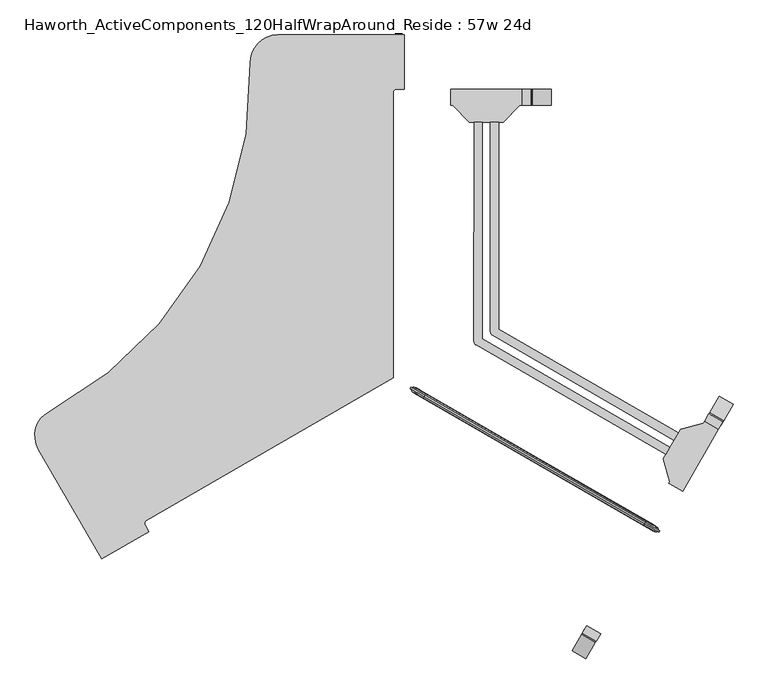
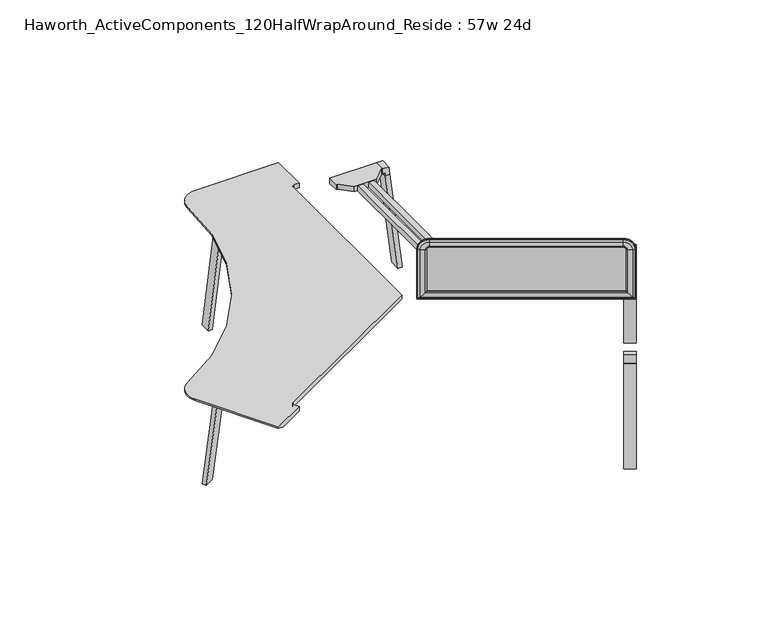
"""IFC4 building model written with IfcOpenShell, lengths in millimetres: furniture geometry, Haworth_ActiveComponents_120HalfWrapAround_Reside : 57w 24d."""

from ifc_helpers import new_model, si_unit, point, frame, frame_2d, origin, place, context, project, spatial, polyline, circle_curve, ellipse_curve, trimmed, segment, composite_curve, outline, extrude, source, transform, mapped, element, save
from ifc_brep_helpers import plane_surface, cylinder_surface, revolved_surface, advanced_brep


def haworth_activecomponents_120halfwraparound_reside_57w_24d_54aff3bc(model_context):
    return source(origin(), model_context, "Body", "SolidModel", [
        advanced_brep(
        [(5571.1853954, -725.3379566, 1050.2564604), (5574.3603954, -719.8386953, 1050.2564604), (5574.3603954, -719.8386953, 715.4852418), (5571.1853954, -725.3379566, 715.4852418), (5581.3100928, -738.8577789, 1050.2564604), (5576.2717139, -728.2745439, 1050.2564604), (5576.2717139, -728.2745439, 721.3584165), (5581.3100928, -738.8577789, 731.0133982), (5606.6753512, -752.8864585, 1050.2564604), (5606.6753512, -752.8864585, 759.994696), (5618.212895, -752.4892962, 1050.2564604), (5618.212895, -752.4892962, 769.787921), (5621.387895, -746.9900348, 1050.2564604), (5621.387895, -746.9900348, 769.787921), (5615.9630757, -736.7996476, 1050.2564604), (5615.9630757, -736.7996476, 759.994696), (5591.1312537, -721.8470293, 1050.2564604), (5591.1312537, -721.8470293, 731.0133982), (5579.4467139, -722.7752826, 1050.2564604), (5579.4467139, -722.7752826, 721.3584165), (6623.3071429, -1325.4483823, 715.4852418), (6620.1321429, -1330.9476436, 715.4852418), (6615.0458244, -1328.0110563, 721.3584165), (6603.3612846, -1328.9393096, 731.0133982), (6578.5294625, -1313.9866913, 759.994696), (6573.1046433, -1303.7963041, 769.787921), (6576.2796433, -1298.2970427, 769.787921), (6587.8171871, -1297.8998804, 759.994696), (6613.1824454, -1311.92856, 731.0133982), (6618.2208244, -1322.511795, 721.3584165), (6623.3071429, -1325.4483823, 1050.2564604), (6620.1321429, -1330.9476436, 1050.2564604), (6615.0458244, -1328.0110563, 1050.2564604), (6603.3612846, -1328.9393096, 1050.2564604), (6578.5294625, -1313.9866913, 1050.2564604), (6573.1046433, -1303.7963041, 1050.2564604), (6576.2796433, -1298.2970427, 1050.2564604), (6587.8171871, -1297.8998804, 1050.2564604), (6613.1824454, -1311.92856, 1050.2564604), (6618.2208244, -1322.511795, 1050.2564604), (6559.35649, -1295.8588041, 1120.4341395), (6562.53149, -1290.3595427, 1120.4341395), (6556.0334096, -1301.6145482, 1104.9059832), (6559.35649, -1295.8588041, 1114.5609648), (6556.3001277, -1301.1525788, 1075.9246853), (6559.35649, -1295.8588041, 1066.1314604), (6562.53149, -1290.3595427, 1066.1314604), (6565.5878523, -1285.065768, 1075.9246853), (6565.8545704, -1284.6037986, 1104.9059832), (6562.53149, -1290.3595427, 1114.5609648), (5635.1360483, -754.9275348, 1120.4341395), (5631.9610483, -760.4267962, 1120.4341395), (5631.9610483, -760.4267962, 1114.5609648), (5628.6379679, -766.1825403, 1104.9059832), (5628.904686, -765.7205709, 1075.9246853), (5631.9610483, -760.4267962, 1066.1314604), (5635.1360483, -754.9275348, 1066.1314604), (5638.1924106, -749.6337601, 1075.9246853), (5638.4591287, -749.1717907, 1104.9059832), (5635.1360483, -754.9275348, 1114.5609648)],
        [
            (0, 1),
            (1, 2),
            (2, 3),
            (3, 0),
            (4, 5, circle_curve(frame((5593.1583212, -726.7262399, 1050.2564604), z_axis=(0.0, 0.0, -1.0), x_axis=(-0.5000000000000024, -0.8660254037844374, 0.0)), 16.9574394)),
            (5, 6),
            (6, 7, ellipse_curve(frame((5593.1583212, -726.7262399, 735.2084954), z_axis=(-0.6123724356957916, 0.3535533905932743, 0.7071067811865497), x_axis=(0.6123724356957952, -0.3535533905932764, 0.7071067811865455)), 23.9814408, 16.9574394)),
            (7, 4),
            (8, 4, circle_curve(frame((5619.4970874, -699.7576706, 1050.2564604), z_axis=(0.0, 0.0, -1.0), x_axis=(-0.5000000000000024, -0.8660254037844374, 0.0)), 54.6540486)),
            (7, 9, ellipse_curve(frame((5619.4970874, -699.7576706, 744.5342514), z_axis=(-0.6123724356957916, 0.3535533905932743, 0.7071067811865497), x_axis=(0.6123724356957952, -0.3535533905932764, 0.7071067811865455)), 77.2924967, 54.6540486)),
            (9, 8),
            (10, 8, circle_curve(frame((5611.7299736, -731.941872, 1050.2564604), z_axis=(0.0, 0.0, -1.0), x_axis=(-0.5000000000000024, -0.8660254037844374, 0.0)), 21.5458792)),
            (9, 11, ellipse_curve(frame((5611.7299736, -731.941872, 753.8998342), z_axis=(-0.6123724356957916, 0.3535533905932743, 0.7071067811865497), x_axis=(0.6123724356957952, -0.3535533905932764, 0.7071067811865455)), 30.4704745, 21.5458792)),
            (11, 10),
            (12, 10),
            (11, 13),
            (13, 12),
            (14, 12, circle_curve(frame((5600.351843, -751.6493723, 1050.2564604), z_axis=(0.0, 0.0, -1.0), x_axis=(-0.5000000000000024, -0.8660254037844374, 0.0)), 21.5458792)),
            (13, 15, ellipse_curve(frame((5600.351843, -751.6493723, 753.8998342), z_axis=(-0.6123724356957916, 0.3535533905932743, 0.7071067811865497), x_axis=(0.6123724356957952, -0.3535533905932764, 0.7071067811865455)), 30.4704745, 21.5458792)),
            (15, 14),
            (16, 14, circle_curve(frame((5576.3630638, -774.4679908, 1050.2564604), z_axis=(0.0, 0.0, -1.0), x_axis=(-0.5000000000000024, -0.8660254037844374, 0.0)), 54.6540486)),
            (15, 17, ellipse_curve(frame((5576.3630638, -774.4679908, 744.5342514), z_axis=(-0.6123724356957916, 0.3535533905932743, 0.7071067811865497), x_axis=(0.6123724356957952, -0.3535533905932764, 0.7071067811865455)), 77.2924967, 54.6540486)),
            (17, 16),
            (18, 16, circle_curve(frame((5586.5491469, -738.1736655, 1050.2564604), z_axis=(0.0, 0.0, -1.0), x_axis=(-0.5000000000000024, -0.8660254037844374, 0.0)), 16.9574394)),
            (17, 19, ellipse_curve(frame((5586.5491469, -738.1736655, 735.2084954), z_axis=(-0.6123724356957916, 0.3535533905932743, 0.7071067811865497), x_axis=(0.6123724356957952, -0.3535533905932764, 0.7071067811865455)), 23.9814408, 16.9574394)),
            (19, 18),
            (2, 20),
            (20, 21),
            (21, 3),
            (6, 22),
            (22, 23, ellipse_curve(frame((6607.9433913, -1312.6126734, 735.2084954), z_axis=(-0.6123724356957955, 0.35355339059327656, -0.7071067811865454), x_axis=(-0.6123724356957915, 0.35355339059327423, 0.7071067811865498)), 23.9814408, 16.9574394)),
            (23, 7),
            (23, 24, ellipse_curve(frame((6618.1294744, -1276.318348, 744.5342514), z_axis=(-0.6123724356957955, 0.35355339059327656, -0.7071067811865454), x_axis=(-0.6123724356957915, 0.35355339059327423, 0.7071067811865498)), 77.2924967, 54.6540486)),
            (24, 9),
            (24, 25, ellipse_curve(frame((6594.1406953, -1299.1369666, 753.8998342), z_axis=(-0.6123724356957955, 0.35355339059327656, -0.7071067811865454), x_axis=(-0.6123724356957915, 0.35355339059327423, 0.7071067811865498)), 30.4704745, 21.5458792)),
            (25, 11),
            (25, 26),
            (26, 13),
            (26, 27, ellipse_curve(frame((6582.7625647, -1318.8444669, 753.8998342), z_axis=(-0.6123724356957955, 0.35355339059327656, -0.7071067811865454), x_axis=(-0.6123724356957915, 0.35355339059327423, 0.7071067811865498)), 30.4704745, 21.5458792)),
            (27, 15),
            (27, 28, ellipse_curve(frame((6574.9954509, -1351.0286683, 744.5342514), z_axis=(-0.6123724356957955, 0.35355339059327656, -0.7071067811865454), x_axis=(-0.6123724356957915, 0.35355339059327423, 0.7071067811865498)), 77.2924967, 54.6540486)),
            (28, 17),
            (28, 29, ellipse_curve(frame((6601.3342171, -1324.060099, 735.2084954), z_axis=(-0.6123724356957955, 0.35355339059327656, -0.7071067811865454), x_axis=(-0.6123724356957915, 0.35355339059327423, 0.7071067811865498)), 23.9814408, 16.9574394)),
            (29, 19),
            (20, 30),
            (30, 31),
            (31, 21),
            (22, 32),
            (32, 33, circle_curve(frame((6607.9433913, -1312.6126734, 1050.2564604), z_axis=(0.0, 0.0, -1.0), x_axis=(-0.5000000000000024, -0.8660254037844374, 0.0)), 16.9574394)),
            (33, 23),
            (33, 34, circle_curve(frame((6618.1294744, -1276.318348, 1050.2564604), z_axis=(0.0, 0.0, -1.0), x_axis=(-0.5000000000000024, -0.8660254037844374, 0.0)), 54.6540486)),
            (34, 24),
            (34, 35, circle_curve(frame((6594.1406953, -1299.1369666, 1050.2564604), z_axis=(0.0, 0.0, -1.0), x_axis=(-0.5000000000000024, -0.8660254037844374, 0.0)), 21.5458792)),
            (35, 25),
            (35, 36),
            (36, 26),
            (36, 37, circle_curve(frame((6582.7625647, -1318.8444669, 1050.2564604), z_axis=(0.0, 0.0, -1.0), x_axis=(-0.5000000000000024, -0.8660254037844374, 0.0)), 21.5458792)),
            (37, 27),
            (37, 38, circle_curve(frame((6574.9954509, -1351.0286683, 1050.2564604), z_axis=(0.0, 0.0, -1.0), x_axis=(-0.5000000000000024, -0.8660254037844374, 0.0)), 54.6540486)),
            (38, 28),
            (38, 39, circle_curve(frame((6601.3342171, -1324.060099, 1050.2564604), z_axis=(0.0, 0.0, -1.0), x_axis=(-0.5000000000000024, -0.8660254037844374, 0.0)), 16.9574394)),
            (39, 29),
            (40, 31, circle_curve(frame((6559.35649, -1295.8588041, 1050.2564604), z_axis=(0.5000000000000024, 0.8660254037844374, 0.0), x_axis=(0.8660254037844374, -0.5000000000000024, 0.0)), 70.1776791)),
            (30, 41, circle_curve(frame((6562.53149, -1290.3595427, 1050.2564604), z_axis=(-0.5000000000000024, -0.8660254037844374, 0.0), x_axis=(0.8660254037844374, -0.5000000000000024, 0.0)), 70.1776791)),
            (41, 40),
            (42, 33, circle_curve(frame((6556.0334096, -1301.6145482, 1050.2564604), z_axis=(0.5000000000000024, 0.8660254037844374, 0.0), x_axis=(0.8660254037844374, -0.5000000000000024, 0.0)), 54.6495228)),
            (32, 43, circle_curve(frame((6559.35649, -1295.8588041, 1050.2564604), z_axis=(-0.5000000000000024, -0.8660254037844374, 0.0), x_axis=(0.8660254037844374, -0.5000000000000024, 0.0)), 64.3045045)),
            (43, 42, circle_curve(frame((6564.2485771, -1287.3854606, 1100.7108859), z_axis=(0.8660254037844374, -0.5000000000000024, 0.0), x_axis=(-0.5000000000000024, -0.8660254037844374, 0.0)), 16.9574394)),
            (44, 34, circle_curve(frame((6556.3001277, -1301.1525788, 1050.2564604), z_axis=(0.5000000000000024, 0.8660254037844374, 0.0), x_axis=(0.8660254037844374, -0.5000000000000024, 0.0)), 25.6682249)),
            (42, 44, circle_curve(frame((6582.5110018, -1255.7540133, 1091.38513), z_axis=(0.8660254037844374, -0.5000000000000024, 0.0), x_axis=(-0.5000000000000024, -0.8660254037844374, 0.0)), 54.6540486)),
            (45, 35, circle_curve(frame((6559.35649, -1295.8588041, 1050.2564604), z_axis=(0.5000000000000024, 0.8660254037844374, 0.0), x_axis=(0.8660254037844374, -0.5000000000000024, 0.0)), 15.875)),
            (44, 45, circle_curve(frame((6566.6330553, -1283.2554233, 1082.0195471), z_axis=(0.8660254037844374, -0.5000000000000024, 0.0), x_axis=(-0.5000000000000024, -0.8660254037844374, 0.0)), 21.5458792)),
            (46, 36, circle_curve(frame((6562.53149, -1290.3595427, 1050.2564604), z_axis=(0.5000000000000024, 0.8660254037844374, 0.0), x_axis=(0.8660254037844374, -0.5000000000000024, 0.0)), 15.875)),
            (45, 46),
            (47, 37, circle_curve(frame((6565.5878523, -1285.065768, 1050.2564604), z_axis=(0.5000000000000024, 0.8660254037844374, 0.0), x_axis=(0.8660254037844374, -0.5000000000000024, 0.0)), 25.6682249)),
            (46, 47, circle_curve(frame((6555.2549247, -1302.9629235, 1082.0195471), z_axis=(0.8660254037844374, -0.5000000000000024, 0.0), x_axis=(-0.5000000000000024, -0.8660254037844374, 0.0)), 21.5458792)),
            (48, 38, circle_curve(frame((6565.8545704, -1284.6037986, 1050.2564604), z_axis=(0.5000000000000024, 0.8660254037844374, 0.0), x_axis=(0.8660254037844374, -0.5000000000000024, 0.0)), 54.6495228)),
            (47, 48, circle_curve(frame((6539.3769782, -1330.4643335, 1091.38513), z_axis=(0.8660254037844374, -0.5000000000000024, 0.0), x_axis=(-0.5000000000000024, -0.8660254037844374, 0.0)), 54.6540486)),
            (49, 39, circle_curve(frame((6562.53149, -1290.3595427, 1050.2564604), z_axis=(0.5000000000000024, 0.8660254037844374, 0.0), x_axis=(0.8660254037844374, -0.5000000000000024, 0.0)), 64.3045045)),
            (48, 49, circle_curve(frame((6557.6394029, -1298.8328862, 1100.7108859), z_axis=(0.8660254037844374, -0.5000000000000024, 0.0), x_axis=(-0.5000000000000024, -0.8660254037844374, 0.0)), 16.9574394)),
            (41, 50),
            (50, 51),
            (51, 40),
            (43, 52),
            (52, 53, circle_curve(frame((5636.8531354, -751.9534527, 1100.7108859), z_axis=(0.8660254037844374, -0.5000000000000024, 0.0), x_axis=(-0.5000000000000024, -0.8660254037844374, 0.0)), 16.9574394)),
            (53, 42),
            (53, 54, circle_curve(frame((5655.1155601, -720.3220053, 1091.38513), z_axis=(0.8660254037844374, -0.5000000000000024, 0.0), x_axis=(-0.5000000000000024, -0.8660254037844374, 0.0)), 54.6540486)),
            (54, 44),
            (54, 55, circle_curve(frame((5639.2376136, -747.8234154, 1082.0195471), z_axis=(0.8660254037844374, -0.5000000000000024, 0.0), x_axis=(-0.5000000000000024, -0.8660254037844374, 0.0)), 21.5458792)),
            (55, 45),
            (55, 56),
            (56, 46),
            (56, 57, circle_curve(frame((5627.859483, -767.5309156, 1082.0195471), z_axis=(0.8660254037844374, -0.5000000000000024, 0.0), x_axis=(-0.5000000000000024, -0.8660254037844374, 0.0)), 21.5458792)),
            (57, 47),
            (57, 58, circle_curve(frame((5611.9815365, -795.0323256, 1091.38513), z_axis=(0.8660254037844374, -0.5000000000000024, 0.0), x_axis=(-0.5000000000000024, -0.8660254037844374, 0.0)), 54.6540486)),
            (58, 48),
            (58, 59, circle_curve(frame((5630.2439612, -763.4008783, 1100.7108859), z_axis=(0.8660254037844374, -0.5000000000000024, 0.0), x_axis=(-0.5000000000000024, -0.8660254037844374, 0.0)), 16.9574394)),
            (59, 49),
            (0, 51, circle_curve(frame((5631.9610483, -760.4267962, 1050.2564604), z_axis=(0.5000000000000024, 0.8660254037844374, 0.0), x_axis=(0.0, 0.0, 1.0)), 70.1776791)),
            (50, 1, circle_curve(frame((5635.1360483, -754.9275348, 1050.2564604), z_axis=(-0.5000000000000024, -0.8660254037844374, 0.0), x_axis=(0.0, 0.0, 1.0)), 70.1776791)),
            (5, 52, circle_curve(frame((5631.9610483, -760.4267962, 1050.2564604), z_axis=(0.5000000000000024, 0.8660254037844374, 0.0), x_axis=(0.0, 0.0, 1.0)), 64.3045045)),
            (4, 53, circle_curve(frame((5628.6379679, -766.1825403, 1050.2564604), z_axis=(0.5000000000000024, 0.8660254037844374, 0.0), x_axis=(0.0, 0.0, 1.0)), 54.6495228)),
            (8, 54, circle_curve(frame((5628.904686, -765.7205709, 1050.2564604), z_axis=(0.5000000000000024, 0.8660254037844374, 0.0), x_axis=(0.0, 0.0, 1.0)), 25.6682249)),
            (10, 55, circle_curve(frame((5631.9610483, -760.4267962, 1050.2564604), z_axis=(0.5000000000000024, 0.8660254037844374, 0.0), x_axis=(0.0, 0.0, 1.0)), 15.875)),
            (12, 56, circle_curve(frame((5635.1360483, -754.9275348, 1050.2564604), z_axis=(0.5000000000000024, 0.8660254037844374, 0.0), x_axis=(0.0, 0.0, 1.0)), 15.875)),
            (14, 57, circle_curve(frame((5638.1924106, -749.6337601, 1050.2564604), z_axis=(0.5000000000000024, 0.8660254037844374, 0.0), x_axis=(0.0, 0.0, 1.0)), 25.6682249)),
            (16, 58, circle_curve(frame((5638.4591287, -749.1717907, 1050.2564604), z_axis=(0.5000000000000024, 0.8660254037844374, 0.0), x_axis=(0.0, 0.0, 1.0)), 54.6495228)),
            (18, 59, circle_curve(frame((5635.1360483, -754.9275348, 1050.2564604), z_axis=(0.5000000000000024, 0.8660254037844374, 0.0), x_axis=(0.0, 0.0, 1.0)), 64.3045045)),
        ],
        [
            plane_surface(frame((5574.3603954, -719.8386953, 1050.2564604), z_axis=(-0.8660254037844374, 0.5000000000000024, 0.0), x_axis=(0.0, 0.0, -1.0))),
            cylinder_surface(frame((5593.1583212, -726.7262399, 1050.2564604), z_axis=(0.0, 0.0, 1.0), x_axis=(-0.5000000000000024, -0.8660254037844374, 0.0)), 16.9574394),
            cylinder_surface(frame((5619.4970874, -699.7576706, 1050.2564604), z_axis=(0.0, 0.0, 1.0), x_axis=(-0.5000000000000024, -0.8660254037844374, 0.0)), 54.6540486),
            cylinder_surface(frame((5611.7299736, -731.941872, 1050.2564604), z_axis=(0.0, 0.0, 1.0), x_axis=(-0.5000000000000024, -0.8660254037844374, 0.0)), 21.5458792),
            plane_surface(frame((5618.212895, -752.4892962, 1050.2564604), z_axis=(0.8660254037844374, -0.5000000000000024, 0.0), x_axis=(0.0, 0.0, -1.0))),
            cylinder_surface(frame((5600.351843, -751.6493723, 1050.2564604), z_axis=(0.0, 0.0, 1.0), x_axis=(-0.5000000000000024, -0.8660254037844374, 0.0)), 21.5458792),
            cylinder_surface(frame((5576.3630638, -774.4679908, 1050.2564604), z_axis=(0.0, 0.0, 1.0), x_axis=(-0.5000000000000024, -0.8660254037844374, 0.0)), 54.6540486),
            cylinder_surface(frame((5586.5491469, -738.1736655, 1050.2564604), z_axis=(0.0, 0.0, 1.0), x_axis=(-0.5000000000000024, -0.8660254037844374, 0.0)), 16.9574394),
            plane_surface(frame((5574.3603954, -719.8386953, 715.4852418), z_axis=(0.0, 0.0, -1.0000000000000002), x_axis=(0.8660254037844374, -0.5000000000000024, 0.0))),
            cylinder_surface(frame((5623.1049821, -744.0159527, 735.2084954), z_axis=(-0.8660254037844374, 0.5000000000000024, 0.0), x_axis=(-0.5000000000000024, -0.8660254037844374, 0.0)), 16.9574394),
            cylinder_surface(frame((5641.3674068, -712.3845053, 744.5342514), z_axis=(-0.8660254037844374, 0.5000000000000024, 0.0), x_axis=(-0.5000000000000024, -0.8660254037844374, 0.0)), 54.6540486),
            cylinder_surface(frame((5625.4894603, -739.8859154, 753.8998342), z_axis=(-0.8660254037844374, 0.5000000000000024, 0.0), x_axis=(-0.5000000000000024, -0.8660254037844374, 0.0)), 21.5458792),
            plane_surface(frame((5618.212895, -752.4892962, 769.787921), z_axis=(0.0, 0.0, 1.0000000000000002), x_axis=(0.8660254037844374, -0.5000000000000024, 0.0))),
            cylinder_surface(frame((5614.1113297, -759.5934156, 753.8998342), z_axis=(-0.8660254037844374, 0.5000000000000024, 0.0), x_axis=(-0.5000000000000024, -0.8660254037844374, 0.0)), 21.5458792),
            cylinder_surface(frame((5598.2333832, -787.0948256, 744.5342514), z_axis=(-0.8660254037844374, 0.5000000000000024, 0.0), x_axis=(-0.5000000000000024, -0.8660254037844374, 0.0)), 54.6540486),
            cylinder_surface(frame((5616.4958079, -755.4633783, 735.2084954), z_axis=(-0.8660254037844374, 0.5000000000000024, 0.0), x_axis=(-0.5000000000000024, -0.8660254037844374, 0.0)), 16.9574394),
            plane_surface(frame((6623.3071429, -1325.4483823, 715.4852418), z_axis=(0.8660254037844374, -0.5000000000000024, 0.0), x_axis=(0.0, 0.0, 1.0))),
            cylinder_surface(frame((6607.9433913, -1312.6126734, 769.787921), z_axis=(0.0, 0.0, -1.0), x_axis=(-0.5000000000000024, -0.8660254037844374, 0.0)), 16.9574394),
            cylinder_surface(frame((6618.1294744, -1276.318348, 769.787921), z_axis=(0.0, 0.0, -1.0), x_axis=(-0.5000000000000024, -0.8660254037844374, 0.0)), 54.6540486),
            cylinder_surface(frame((6594.1406953, -1299.1369666, 769.787921), z_axis=(0.0, 0.0, -1.0), x_axis=(-0.5000000000000024, -0.8660254037844374, 0.0)), 21.5458792),
            plane_surface(frame((6573.1046433, -1303.7963041, 769.787921), z_axis=(-0.8660254037844374, 0.5000000000000024, 0.0), x_axis=(0.0, 0.0, 1.0))),
            cylinder_surface(frame((6582.7625647, -1318.8444669, 769.787921), z_axis=(0.0, 0.0, -1.0), x_axis=(-0.5000000000000024, -0.8660254037844374, 0.0)), 21.5458792),
            cylinder_surface(frame((6574.9954509, -1351.0286683, 769.787921), z_axis=(0.0, 0.0, -1.0), x_axis=(-0.5000000000000024, -0.8660254037844374, 0.0)), 54.6540486),
            cylinder_surface(frame((6601.3342171, -1324.060099, 769.787921), z_axis=(0.0, 0.0, -1.0), x_axis=(-0.5000000000000024, -0.8660254037844374, 0.0)), 16.9574394),
            cylinder_surface(frame((6559.35649, -1295.8588041, 1050.2564604), z_axis=(-0.5000000000000024, -0.8660254037844374, 0.0), x_axis=(0.8660254037844374, -0.5000000000000024, 0.0)), 70.1776791),
            revolved_surface(trimmed(ellipse_curve(frame((6607.9433913, -1312.6126734, 1050.2564604), z_axis=(0.0, 0.0, -1.0), x_axis=(-0.5000000000000024, -0.8660254037844374, 0.0)), 16.9574394, 16.9574394), [point((6615.0458244, -1328.0110563, 1050.2564604))], [point((6603.3612846, -1328.9393096, 1050.2564604))], True, "CARTESIAN"), (6559.35649, -1295.8588041, 1050.2564604), (-0.5000000000000024, -0.8660254037844374, 0.0)),
            revolved_surface(trimmed(ellipse_curve(frame((6618.1294744, -1276.318348, 1050.2564604), z_axis=(0.0, 0.0, -1.0), x_axis=(-0.5000000000000024, -0.8660254037844374, 0.0)), 54.6540486, 54.6540486), [point((6603.3612846, -1328.9393096, 1050.2564604))], [point((6578.5294625, -1313.9866913, 1050.2564604))], True, "CARTESIAN"), (6559.35649, -1295.8588041, 1050.2564604), (-0.5000000000000024, -0.8660254037844374, 0.0)),
            revolved_surface(trimmed(ellipse_curve(frame((6594.1406953, -1299.1369666, 1050.2564604), z_axis=(0.0, 0.0, -1.0), x_axis=(-0.5000000000000024, -0.8660254037844374, 0.0)), 21.5458792, 21.5458792), [point((6578.5294625, -1313.9866913, 1050.2564604))], [point((6573.1046433, -1303.7963041, 1050.2564604))], True, "CARTESIAN"), (6559.35649, -1295.8588041, 1050.2564604), (-0.5000000000000024, -0.8660254037844374, 0.0)),
            revolved_surface(polyline([(6573.104643285078, -1303.7963041, 1050.2564604), (6576.279643326035, -1298.2970427150308, 1050.2564604)]), (6559.35649, -1295.8588041, 1050.2564604), (-0.5000000000000024, -0.8660254037844374, 0.0)),
            revolved_surface(trimmed(ellipse_curve(frame((6582.7625647, -1318.8444669, 1050.2564604), z_axis=(0.0, 0.0, -1.0), x_axis=(-0.5000000000000024, -0.8660254037844374, 0.0)), 21.5458792, 21.5458792), [point((6576.2796433, -1298.2970427, 1050.2564604))], [point((6587.8171871, -1297.8998804, 1050.2564604))], True, "CARTESIAN"), (6559.35649, -1295.8588041, 1050.2564604), (-0.5000000000000024, -0.8660254037844374, 0.0)),
            revolved_surface(trimmed(ellipse_curve(frame((6574.9954509, -1351.0286683, 1050.2564604), z_axis=(0.0, 0.0, -1.0), x_axis=(-0.5000000000000024, -0.8660254037844374, 0.0)), 54.6540486, 54.6540486), [point((6587.8171871, -1297.8998804, 1050.2564604))], [point((6613.1824454, -1311.92856, 1050.2564604))], True, "CARTESIAN"), (6559.35649, -1295.8588041, 1050.2564604), (-0.5000000000000024, -0.8660254037844374, 0.0)),
            revolved_surface(trimmed(ellipse_curve(frame((6601.3342171, -1324.060099, 1050.2564604), z_axis=(0.0, 0.0, -1.0), x_axis=(-0.5000000000000024, -0.8660254037844374, 0.0)), 16.9574394, 16.9574394), [point((6613.1824454, -1311.92856, 1050.2564604))], [point((6618.2208244, -1322.511795, 1050.2564604))], True, "CARTESIAN"), (6559.35649, -1295.8588041, 1050.2564604), (-0.5000000000000024, -0.8660254037844374, 0.0)),
            plane_surface(frame((6562.53149, -1290.3595427, 1120.4341395), z_axis=(0.0, 0.0, 1.0000000000000002), x_axis=(-0.8660254037844374, 0.5000000000000024, 0.0))),
            cylinder_surface(frame((6564.2485771, -1287.3854606, 1100.7108859), z_axis=(0.8660254037844374, -0.5000000000000024, 0.0), x_axis=(-0.5000000000000024, -0.8660254037844374, 0.0)), 16.9574394),
            cylinder_surface(frame((6582.5110018, -1255.7540133, 1091.38513), z_axis=(0.8660254037844374, -0.5000000000000024, 0.0), x_axis=(-0.5000000000000024, -0.8660254037844374, 0.0)), 54.6540486),
            cylinder_surface(frame((6566.6330553, -1283.2554233, 1082.0195471), z_axis=(0.8660254037844374, -0.5000000000000024, 0.0), x_axis=(-0.5000000000000024, -0.8660254037844374, 0.0)), 21.5458792),
            plane_surface(frame((6559.35649, -1295.8588041, 1066.1314604), z_axis=(0.0, 0.0, -1.0000000000000002), x_axis=(-0.8660254037844374, 0.5000000000000024, 0.0))),
            cylinder_surface(frame((6555.2549247, -1302.9629235, 1082.0195471), z_axis=(0.8660254037844374, -0.5000000000000024, 0.0), x_axis=(-0.5000000000000024, -0.8660254037844374, 0.0)), 21.5458792),
            cylinder_surface(frame((6539.3769782, -1330.4643335, 1091.38513), z_axis=(0.8660254037844374, -0.5000000000000024, 0.0), x_axis=(-0.5000000000000024, -0.8660254037844374, 0.0)), 54.6540486),
            cylinder_surface(frame((6557.6394029, -1298.8328862, 1100.7108859), z_axis=(0.8660254037844374, -0.5000000000000024, 0.0), x_axis=(-0.5000000000000024, -0.8660254037844374, 0.0)), 16.9574394),
            cylinder_surface(frame((5631.9610483, -760.4267962, 1050.2564604), z_axis=(-0.5000000000000024, -0.8660254037844374, 0.0), x_axis=(0.0, 0.0, 1.0)), 70.1776791),
            plane_surface(frame((5631.9610483, -760.4267962, 1050.2564604), z_axis=(-0.5000000000000024, -0.8660254037844374, 0.0), x_axis=(0.0, 0.0, 1.0))),
            revolved_surface(trimmed(ellipse_curve(frame((5636.8531354, -751.9534527, 1100.7108859), z_axis=(0.8660254037844374, -0.5000000000000024, 0.0), x_axis=(-0.5000000000000024, -0.8660254037844374, 0.0)), 16.9574394, 16.9574394), [point((5631.9610483, -760.4267962, 1114.5609648))], [point((5628.6379679, -766.1825403, 1104.9059832))], True, "CARTESIAN"), (5631.9610483, -760.4267962, 1050.2564604), (-0.5000000000000024, -0.8660254037844374, 0.0)),
            revolved_surface(trimmed(ellipse_curve(frame((5655.1155601, -720.3220053, 1091.38513), z_axis=(0.8660254037844374, -0.5000000000000024, 0.0), x_axis=(-0.5000000000000024, -0.8660254037844374, 0.0)), 54.6540486, 54.6540486), [point((5628.6379679, -766.1825403, 1104.9059832))], [point((5628.904686, -765.7205709, 1075.9246853))], True, "CARTESIAN"), (5631.9610483, -760.4267962, 1050.2564604), (-0.5000000000000024, -0.8660254037844374, 0.0)),
            revolved_surface(trimmed(ellipse_curve(frame((5639.2376136, -747.8234154, 1082.0195471), z_axis=(0.8660254037844374, -0.5000000000000024, 0.0), x_axis=(-0.5000000000000024, -0.8660254037844374, 0.0)), 21.5458792, 21.5458792), [point((5628.904686, -765.7205709, 1075.9246853))], [point((5631.9610483, -760.4267962, 1066.1314604))], True, "CARTESIAN"), (5631.9610483, -760.4267962, 1050.2564604), (-0.5000000000000024, -0.8660254037844374, 0.0)),
            revolved_surface(polyline([(5631.961048296269, -760.4267962064615, 1066.1314604), (5635.1360483372255, -754.9275348214921, 1066.1314604)]), (5631.9610483, -760.4267962, 1050.2564604), (-0.5000000000000024, -0.8660254037844374, 0.0)),
            revolved_surface(trimmed(ellipse_curve(frame((5627.859483, -767.5309156, 1082.0195471), z_axis=(0.8660254037844374, -0.5000000000000024, 0.0), x_axis=(-0.5000000000000024, -0.8660254037844374, 0.0)), 21.5458792, 21.5458792), [point((5635.1360483, -754.9275348, 1066.1314604))], [point((5638.1924106, -749.6337601, 1075.9246853))], True, "CARTESIAN"), (5631.9610483, -760.4267962, 1050.2564604), (-0.5000000000000024, -0.8660254037844374, 0.0)),
            revolved_surface(trimmed(ellipse_curve(frame((5611.9815365, -795.0323256, 1091.38513), z_axis=(0.8660254037844374, -0.5000000000000024, 0.0), x_axis=(-0.5000000000000024, -0.8660254037844374, 0.0)), 54.6540486, 54.6540486), [point((5638.1924106, -749.6337601, 1075.9246853))], [point((5638.4591287, -749.1717907, 1104.9059832))], True, "CARTESIAN"), (5631.9610483, -760.4267962, 1050.2564604), (-0.5000000000000024, -0.8660254037844374, 0.0)),
            revolved_surface(trimmed(ellipse_curve(frame((5630.2439612, -763.4008783, 1100.7108859), z_axis=(0.8660254037844374, -0.5000000000000024, 0.0), x_axis=(-0.5000000000000024, -0.8660254037844374, 0.0)), 16.9574394, 16.9574394), [point((5638.4591287, -749.1717907, 1104.9059832))], [point((5635.1360483, -754.9275348, 1114.5609648))], True, "CARTESIAN"), (5631.9610483, -760.4267962, 1050.2564604), (-0.5000000000000024, -0.8660254037844374, 0.0)),
            plane_surface(frame((5635.1360483, -754.9275348, 1050.2564604), z_axis=(0.5000000000000024, 0.8660254037844374, 0.0), x_axis=(0.0, 0.0, 1.0))),
        ],
        [
            (0, [[1, 2, 3, 4]]),
            (1, [[5, 6, 7, 8]]),
            (2, [[9, -8, 10, 11]]),
            (3, [[12, -11, 13, 14]]),
            (4, [[15, -14, 16, 17]]),
            (5, [[18, -17, 19, 20]]),
            (6, [[21, -20, 22, 23]]),
            (7, [[24, -23, 25, 26]]),
            (8, [[-3, 27, 28, 29]]),
            (9, [[-7, 30, 31, 32]]),
            (10, [[-10, -32, 33, 34]]),
            (11, [[-13, -34, 35, 36]]),
            (12, [[-16, -36, 37, 38]]),
            (13, [[-19, -38, 39, 40]]),
            (14, [[-22, -40, 41, 42]]),
            (15, [[-25, -42, 43, 44]]),
            (16, [[-28, 45, 46, 47]]),
            (17, [[-31, 48, 49, 50]]),
            (18, [[-33, -50, 51, 52]]),
            (19, [[-35, -52, 53, 54]]),
            (20, [[-37, -54, 55, 56]]),
            (21, [[-39, -56, 57, 58]]),
            (22, [[-41, -58, 59, 60]]),
            (23, [[-43, -60, 61, 62]]),
            (24, [[63, -46, 64, 65]]),
            (25, [[66, -49, 67, 68]]),
            (26, [[69, -51, -66, 70]]),
            (27, [[71, -53, -69, 72]]),
            (28, [[73, -55, -71, 74]]),
            (29, [[75, -57, -73, 76]]),
            (30, [[77, -59, -75, 78]]),
            (31, [[79, -61, -77, 80]]),
            (32, [[-65, 81, 82, 83]]),
            (33, [[-68, 84, 85, 86]]),
            (34, [[-70, -86, 87, 88]]),
            (35, [[-72, -88, 89, 90]]),
            (36, [[-74, -90, 91, 92]]),
            (37, [[-76, -92, 93, 94]]),
            (38, [[-78, -94, 95, 96]]),
            (39, [[-80, -96, 97, 98]]),
            (40, [[99, -82, 100, -1]]),
            (41, [[-63, -83, -99, -4, -29, -47], [101, -84, -67, -48, -30, -6]]),
            (42, [[102, -85, -101, -5]]),
            (43, [[103, -87, -102, -9]]),
            (44, [[104, -89, -103, -12]]),
            (45, [[105, -91, -104, -15]]),
            (46, [[106, -93, -105, -18]]),
            (47, [[107, -95, -106, -21]]),
            (48, [[108, -97, -107, -24]]),
            (49, [[-100, -81, -64, -45, -27, -2], [-79, -98, -108, -26, -44, -62]]),
        ],
    ),
        extrude(outline(composite_curve([segment(polyline([(58.587921, 551.3070068), (339.0564604, 551.3070068)]), True, "CONTINUOUS"), segment(trimmed(circle_curve(frame_2d((339.0564604, 535.4320068)), 15.875), [point((339.0564604, 551.3070068))], [point((354.9314604, 535.4320068))], False, "CARTESIAN"), True, "CONTINUOUS"), segment(polyline([(354.9314604, 535.4320068), (354.9314604, -535.432009)]), True, "CONTINUOUS"), segment(trimmed(circle_curve(frame_2d((339.0564604, -535.432009)), 15.875), [point((354.9314604, -535.432009))], [point((339.0564604, -551.307009))], False, "CARTESIAN"), True, "CONTINUOUS"), segment(polyline([(339.0564604, -551.307009), (58.587921, -551.307009), (58.587921, 551.3070068)]), True, "CONTINUOUS")], self_intersect=False)), frame((6095.6587701, -1028.1428007, 711.2), z_axis=(0.5000000000000024, 0.8660254037844374, 0.0), x_axis=(0.0, 0.0, 1.0)), (0.0, 0.0, 1.0), 6.35),
        extrude(outline(composite_curve([segment(polyline([(655.8564478, 5006.806023), (652.5173267, 5034.0340404), (664.9860929, 5035.5631538)]), True, "CONTINUOUS"), segment(trimmed(circle_curve(frame_2d((663.4402033, 5048.1687171)), 12.7), [point((664.9860929, 5035.5631538))], [point((676.1402033, 5048.1687171))], True, "CARTESIAN"), True, "CONTINUOUS"), segment(polyline([(676.1402033, 5048.1687171), (676.1402033, 5049.410934), (706.4375, 5049.410934), (706.4375, 5013.0090549), (655.8564478, 5006.806023)]), True, "CONTINUOUS")], self_intersect=False)), frame((0.0, 467.634287, 0.0), z_axis=(0.0, 1.0, 0.0), x_axis=(0.0, 0.0, 1.0)), (0.0, 0.0, 1.0), 67.6671875),
        extrude(outline(polyline([(0.0, 4926.374749), (0.0, 4954.0122509), (652.5173267, 5034.0340404), (655.8564478, 5006.806023), (0.0, 4926.374749)])), frame((0.0, 467.634287, 0.0), z_axis=(0.0, 1.0, 0.0), x_axis=(0.0, 0.0, 1.0)), (0.0, 0.0, 1.0), 67.6671875),
        extrude(outline(composite_curve([segment(polyline([(655.8564478, 6085.7908449), (706.4375, 6079.587813), (706.4375, 6043.185934), (676.1402033, 6043.185934), (676.1402033, 6044.4281509)]), True, "CONTINUOUS"), segment(trimmed(circle_curve(frame_2d((663.4402033, 6044.4281509)), 12.7), [point((676.1402033, 6044.4281509))], [point((664.9860929, 6057.0337141))], True, "CARTESIAN"), True, "CONTINUOUS"), segment(polyline([(664.9860929, 6057.0337141), (652.5173267, 6058.5628275), (655.8564478, 6085.7908449)]), True, "CONTINUOUS")], self_intersect=False)), frame((0.0, 467.634287, 0.0), z_axis=(0.0, 1.0, 0.0), x_axis=(0.0, 0.0, 1.0)), (0.0, 0.0, 1.0), 67.6671875),
        extrude(outline(polyline([(0.0, 6166.2221189), (655.8564478, 6085.7908449), (652.5173267, 6058.5628275), (0.0, 6138.5846171), (0.0, 6166.2221189)])), frame((0.0, 467.634287, 0.0), z_axis=(0.0, 1.0, 0.0), x_axis=(0.0, 0.0, 1.0)), (0.0, 0.0, 1.0), 67.6671875),
        extrude(outline(composite_curve([segment(polyline([(655.8564478, -66.2192424), (706.4375, -72.4222743), (706.4375, -108.8241533), (676.1402033, -108.8241533), (676.1402033, -107.5819364)]), True, "CONTINUOUS"), segment(trimmed(circle_curve(frame_2d((663.4402033, -107.5819364)), 12.7), [point((676.1402033, -107.5819364))], [point((664.9860929, -94.9763732))], True, "CARTESIAN"), True, "CONTINUOUS"), segment(polyline([(664.9860929, -94.9763732), (652.5173267, -93.4472597), (655.8564478, -66.2192424)]), True, "CONTINUOUS")], self_intersect=False)), frame((6925.2815523, -804.0439909, 0.0), z_axis=(-0.8660254037844408, 0.4999999999999965, 0.0), x_axis=(0.0, 0.0, 1.0)), (0.0, 0.0, 1.0), 67.6671875),
        extrude(outline(polyline([(0.0, 14.2120317), (655.8564478, -66.2192424), (652.5173267, -93.4472597), (0.0, -13.4254702), (0.0, 14.2120317)])), frame((6925.2815523, -804.0439909, 0.0), z_axis=(-0.8660254037844408, 0.4999999999999965, 0.0), x_axis=(0.0, 0.0, 1.0)), (0.0, 0.0, 1.0), 67.6671875),
        extrude(outline(composite_curve([segment(polyline([(655.8564478, 66.2192423), (652.5173267, 93.4472597), (664.9860929, 94.976373)]), True, "CONTINUOUS"), segment(trimmed(circle_curve(frame_2d((663.4402033, 107.5819364)), 12.7), [point((664.9860929, 94.976373))], [point((676.1402033, 107.5819364))], True, "CARTESIAN"), True, "CONTINUOUS"), segment(polyline([(676.1402033, 107.5819364), (676.1402033, 108.8241533), (706.4375, 108.8241533), (706.4375, 72.4222742), (655.8564478, 66.2192423)]), True, "CONTINUOUS")], self_intersect=False)), frame((6319.569899, -1853.1673491, 0.0), z_axis=(-0.8660254037844372, 0.5000000000000028, 0.0), x_axis=(0.0, 0.0, 1.0)), (0.0, 0.0, 1.0), 67.6671875),
        extrude(outline(polyline([(0.0, -14.2120317), (0.0, 13.4254702), (652.5173267, 93.4472597), (655.8564478, 66.2192423), (0.0, -14.2120317)])), frame((6319.569899, -1853.1673491, 0.0), z_axis=(-0.8660254037844372, 0.5000000000000028, 0.0), x_axis=(0.0, 0.0, 1.0)), (0.0, 0.0, 1.0), 67.6671875),
        extrude(outline(composite_curve([segment(polyline([(655.8564478, 66.2192424), (652.5173267, 93.4472597), (664.9860929, 94.9763732)]), True, "CONTINUOUS"), segment(trimmed(circle_curve(frame_2d((663.4402033, 107.5819364)), 12.7), [point((664.9860929, 94.9763732))], [point((676.1402033, 107.5819364))], True, "CARTESIAN"), True, "CONTINUOUS"), segment(polyline([(676.1402033, 107.5819364), (676.1402033, 108.8241533), (706.4375, 108.8241533), (706.4375, 72.4222742), (655.8564478, 66.2192424)]), True, "CONTINUOUS")], self_intersect=False)), frame((4167.3153157, -804.0439909, 0.0), z_axis=(0.8660254037844408, 0.4999999999999965, 0.0), x_axis=(0.0, 0.0, 1.0)), (0.0, 0.0, 1.0), 67.6671875),
        extrude(outline(polyline([(0.0, -14.2120317), (0.0, 13.4254702), (652.5173267, 93.4472597), (655.8564478, 66.2192424), (0.0, -14.2120317)])), frame((4167.3153157, -804.0439909, 0.0), z_axis=(0.8660254037844408, 0.4999999999999965, 0.0), x_axis=(0.0, 0.0, 1.0)), (0.0, 0.0, 1.0), 67.6671875),
        extrude(outline(composite_curve([segment(polyline([(4392.191019, -912.8742372), (5147.3013312, -476.9422038), (5147.2743903, 394.9685259), (5182.3263932, 394.969609), (5182.3536479, -487.0971497)]), True, "CONTINUOUS"), segment(trimmed(circle_curve(frame_2d((5164.8911479, -487.0976892)), 17.4625), [point((5182.3536479, -487.0971497))], [point((5173.6219306, -502.2209276))], False, "CARTESIAN"), True, "CONTINUOUS"), segment(polyline([(5173.6219306, -502.2209276), (4409.7160824, -943.2307037), (4392.191019, -912.8742372)]), True, "CONTINUOUS")], self_intersect=False)), frame((0.0, 0.0, 671.7664816), z_axis=(0.0, 0.0, 1.0), x_axis=(1.0, 0.0, 0.0)), (0.0, 0.0, 1.0), 34.2900581),
        extrude(outline(composite_curve([segment(polyline([(4426.9155137, -973.0189166), (5216.7504651, -517.03868), (5216.7234579, 394.968571), (5251.775479, 394.969609), (5251.8027678, -527.1936405)]), True, "CONTINUOUS"), segment(trimmed(circle_curve(frame_2d((5234.3402678, -527.1941573)), 17.4625), [point((5251.8027678, -527.1936405))], [point((5243.0710703, -542.3173843))], False, "CARTESIAN"), True, "CONTINUOUS"), segment(polyline([(5243.0710703, -542.3173843), (4444.4406253, -1003.3753762), (4426.9155137, -973.0189166)]), True, "CONTINUOUS")], self_intersect=False)), frame((0.0, 0.0, 671.7664816), z_axis=(0.0, 0.0, 1.0), x_axis=(1.0, 0.0, 0.0)), (0.0, 0.0, 1.0), 34.2900581),
        extrude(outline(polyline([(4381.5849609, -897.672035), (4453.4209005, -1022.0955321), (4426.6629991, -1117.8715828), (4430.3655752, -1124.2846327), (4371.9001667, -1158.039652), (4221.9766598, -898.3645208), (4280.4501517, -864.6048345), (4285.2690623, -872.9526239), (4381.5849609, -897.672035)])), frame((0.0, 0.0, 671.7664816), z_axis=(0.0, 0.0, 1.0), x_axis=(1.0, 0.0, 0.0)), (0.0, 0.0, 1.0), 34.2900581),
        extrude(outline(polyline([(5128.805868, 396.5525405), (5059.2402807, 467.6048499), (5049.6014277, 467.6042543), (5049.6014277, 535.1236268), (5349.4484415, 535.1236268), (5349.4484415, 467.6135882), (5342.0432894, 467.6135882), (5272.4777471, 396.5525405), (5128.805868, 396.5525405)])), frame((0.0, 0.0, 671.7664816), z_axis=(0.0, 0.0, 1.0), x_axis=(1.0, 0.0, 0.0)), (0.0, 0.0, 1.0), 34.2900581),
        advanced_brep(
        [(5546.298476, 535.123697, 741.3625), (5546.298476, 763.723697, 741.3625), (5013.173042, 763.723697, 741.3625), (4898.9515029, 645.1893138, 741.3625), (4051.3320019, -822.9306694, 741.3625), (4005.7889809, -981.1166174, 741.3625), (4272.3516895, -1442.816772, 741.3625), (4470.3251668, -1328.5168121, 741.3625), (4455.2485176, -1302.4032713, 741.3625), (4461.0625589, -1280.7049871, 741.3625), (5500.260934, -680.7235255, 741.3625), (5500.260934, 519.2527507, 741.3625), (5516.1318803, 535.123697, 741.3625), (4470.3251668, -1328.5168121, 711.2), (4316.3457877, -1417.4167854, 711.2), (4049.7830714, -955.7166174, 711.2), (4075.0847498, -867.8355352, 711.2), (4949.7166314, 647.0712619, 711.2), (5013.173042, 712.923697, 711.2), (5546.298476, 712.923697, 711.2), (5546.298476, 535.123697, 711.2), (5516.1318803, 535.123697, 711.2), (5500.260934, 519.2527507, 711.2), (5500.260934, -680.7235255, 711.2), (4461.0625589, -1280.7049871, 711.2), (4455.2485176, -1302.4032713, 711.2), (4272.3516895, -1442.816772, 731.8375), (4005.7889809, -981.1166174, 731.8375), (4898.9515029, 645.1893138, 731.8375), (4051.3320019, -822.9306694, 731.8375), (5546.298476, 763.723697, 731.8375), (5013.173042, 763.723697, 731.8375)],
        [
            (0, 1),
            (1, 2),
            (2, 3, circle_curve(frame((5013.173042, 649.423697, 741.3625), z_axis=(0.0, 0.0, 1.0), x_axis=(0.0, 1.0, 0.0)), 114.3)),
            (3, 4, circle_curve(frame((3305.9962782, 586.135803, 741.3625), z_axis=(0.0, 0.0, -1.0), x_axis=(0.0, 1.0, 0.0)), 1594.0494549)),
            (4, 5, circle_curve(frame((4104.7756846, -923.9666174, 741.3625), z_axis=(0.0, 0.0, 1.0), x_axis=(0.0, 1.0, 0.0)), 114.3)),
            (5, 6),
            (6, 7),
            (7, 8),
            (8, 9, circle_curve(frame((4469.0046836, -1294.4611507, 741.3625), z_axis=(0.0, 0.0, -1.0), x_axis=(0.0, 1.0, 0.0)), 15.8842495)),
            (9, 10),
            (10, 11),
            (11, 12, circle_curve(frame((5516.1318803, 519.2527507, 741.3625), z_axis=(0.0, 0.0, -1.0), x_axis=(0.0, 1.0, 0.0)), 15.8709463)),
            (12, 0),
            (13, 14),
            (14, 15),
            (15, 16, circle_curve(frame((4104.7756846, -923.9666174, 711.2), z_axis=(0.0, 0.0, -1.0), x_axis=(-0.8660254037844176, -0.5000000000000362, 0.0)), 63.5)),
            (16, 17, circle_curve(frame((3305.9962782, 586.135803, 711.2), z_axis=(0.0, 0.0, 1.0), x_axis=(0.4675737765625936, -0.8839540505427834, 0.0)), 1644.8494549)),
            (17, 18, circle_curve(frame((5013.173042, 649.423697, 711.2), z_axis=(0.0, 0.0, -1.0), x_axis=(-0.9993135530948192, -0.037046222493095374, 0.0)), 63.5)),
            (18, 19),
            (19, 20),
            (20, 21),
            (21, 22, circle_curve(frame((5516.1318803, 519.2527507, 711.2), z_axis=(0.0, 0.0, 1.0), x_axis=(0.0, 1.0, 0.0)), 15.8709463)),
            (22, 23),
            (23, 24),
            (24, 25, circle_curve(frame((4469.0046836, -1294.4611507, 711.2), z_axis=(0.0, 0.0, 1.0), x_axis=(0.0, 1.0, 0.0)), 15.8842495)),
            (25, 13),
            (6, 26),
            (26, 14),
            (13, 7),
            (5, 27),
            (27, 26),
            (3, 28),
            (28, 29, circle_curve(frame((3305.9962782, 586.135803, 731.8375), z_axis=(0.0, 0.0, -1.0), x_axis=(0.0, 1.0, 0.0)), 1594.0494549)),
            (29, 4),
            (1, 30),
            (30, 31),
            (31, 2),
            (0, 20),
            (19, 30),
            (12, 21),
            (11, 22),
            (10, 23),
            (9, 24),
            (8, 25),
            (29, 27, circle_curve(frame((4104.7756846, -923.9666174, 731.8375), z_axis=(0.0, 0.0, 1.0), x_axis=(0.0, 1.0, 0.0)), 114.3)),
            (31, 28, circle_curve(frame((5013.173042, 649.423697, 731.8375), z_axis=(0.0, 0.0, 1.0), x_axis=(0.0, 1.0, 0.0)), 114.3)),
            (27, 15),
            (29, 16),
            (28, 17),
            (31, 18),
        ],
        [
            plane_surface(frame((5546.298476, 535.123697, 741.3625), z_axis=(0.0, 0.0, 1.0), x_axis=(-1.0, 0.0, 0.0))),
            plane_surface(frame((5546.298476, 535.123697, 711.2), z_axis=(0.0, 0.0, -1.0), x_axis=(1.0, 0.0, 0.0))),
            plane_surface(frame((4470.3251668, -1328.5168121, 741.3625), z_axis=(0.4999997355017354, -0.8660255564925292, 0.0), x_axis=(0.0, 0.0, -1.0))),
            plane_surface(frame((4272.3516895, -1442.816772, 741.3625), z_axis=(-0.8660254037844242, -0.5000000000000252, 0.0), x_axis=(0.0, 0.0, -1.0))),
            revolved_surface(polyline([(3305.9962782, 2180.1852579, 731.8375), (3305.9962782, 2180.1852579, 741.3625)]), (3305.9962782, 586.135803, 711.2), (0.0, 0.0, -1.0)),
            plane_surface(frame((5013.173042, 763.723697, 741.3625), z_axis=(0.0, 1.0, 0.0), x_axis=(0.0, 0.0, -1.0))),
            plane_surface(frame((5546.298476, 763.723697, 741.3625), z_axis=(1.0, 0.0, 0.0), x_axis=(0.0, 0.0, -1.0))),
            plane_surface(frame((5546.298476, 535.123697, 741.3625), z_axis=(0.0, -1.0, 0.0), x_axis=(0.0, 0.0, -1.0))),
            revolved_surface(polyline([(5516.1318803, 535.123697, 711.2), (5516.1318803, 535.123697, 741.3625)]), (5516.1318803, 519.2527507, 711.2), (0.0, 0.0, -1.0)),
            plane_surface(frame((5500.260934, 519.2527507, 741.3625), z_axis=(1.0, 0.0, 0.0), x_axis=(0.0, 0.0, -1.0))),
            plane_surface(frame((5500.260934, -680.7235255, 741.3625), z_axis=(0.4999999999999999, -0.8660254037844388, 0.0), x_axis=(0.0, 0.0, -1.0))),
            revolved_surface(polyline([(4469.0046836, -1278.5769012, 711.2), (4469.0046836, -1278.5769012, 741.3625)]), (4469.0046836, -1294.4611507, 711.2), (0.0, 0.0, -1.0)),
            plane_surface(frame((4455.2485176, -1302.4032713, 741.3625), z_axis=(0.8660255564925289, 0.49999973550173593, 0.0), x_axis=(0.0, 0.0, -1.0))),
            cylinder_surface(frame((4104.7756846, -923.9666174, 711.2), z_axis=(0.0, 0.0, 1.0), x_axis=(0.0, 1.0, 0.0)), 114.3),
            cylinder_surface(frame((5013.173042, 649.423697, 711.2), z_axis=(0.0, 0.0, 1.0), x_axis=(0.0, 1.0, 0.0)), 114.3),
            plane_surface(frame((4272.3516895, -1442.816772, 731.8375), z_axis=(-0.3259520840652066, -0.1881885234779791, -0.9264665771223088), x_axis=(-0.5000000000000251, 0.8660254037844243, 0.0))),
            revolved_surface(polyline([(4049.7830714, -955.7166174, 711.2), (4005.7889809, -981.1166174, 731.8375)]), (4104.7756846, -923.9666174, 741.3625), (0.0, 0.0, 1.0)),
            revolved_surface(polyline([(4075.0847498, -867.8355352, 711.2), (4051.3320019, -822.9306694, 731.8375)]), (3305.9962782, 586.135803, 741.3625), (0.0, 0.0, -1.0)),
            revolved_surface(polyline([(4949.7166314, 647.0712619, 711.2), (4898.9515029, 645.1893138, 731.8375)]), (5013.173042, 649.423697, 741.3625), (0.0, 0.0, 1.0)),
            plane_surface(frame((5013.173042, 763.723697, 731.8375), z_axis=(0.0, 0.3763770469559395, -0.9264665771223087), x_axis=(1.0, 0.0, 0.0))),
        ],
        [
            (0, [[1, 2, 3, 4, 5, 6, 7, 8, 9, 10, 11, 12, 13]]),
            (1, [[14, 15, 16, 17, 18, 19, 20, 21, 22, 23, 24, 25, 26]]),
            (2, [[27, 28, -14, 29, -7]]),
            (3, [[30, 31, -27, -6]]),
            (4, [[32, 33, 34, -4]]),
            (5, [[35, 36, 37, -2]]),
            (6, [[38, -20, 39, -35, -1]]),
            (7, [[40, -21, -38, -13]]),
            (8, [[41, -22, -40, -12]]),
            (9, [[42, -23, -41, -11]]),
            (10, [[43, -24, -42, -10]]),
            (11, [[44, -25, -43, -9]]),
            (12, [[-29, -26, -44, -8]]),
            (13, [[-34, 45, -30, -5]]),
            (14, [[-37, 46, -32, -3]]),
            (15, [[-15, -28, -31, 47]]),
            (16, [[-45, 48, -16, -47]]),
            (17, [[-33, 49, -17, -48]]),
            (18, [[-46, 50, -18, -49]]),
            (19, [[-36, -39, -19, -50]]),
        ],
    ),
        extrude(outline(composite_curve([segment(polyline([(6700.405849, -912.8742372), (6682.8807855, -943.2307037), (5918.9749373, -502.2209276)]), True, "CONTINUOUS"), segment(trimmed(circle_curve(frame_2d((5927.70572, -487.0976892)), 17.4625), [point((5918.9749373, -502.2209276))], [point((5910.24322, -487.0971497))], False, "CARTESIAN"), True, "CONTINUOUS"), segment(polyline([(5910.24322, -487.0971497), (5910.2704747, 394.969609), (5945.3224776, 394.9685259), (5945.2955367, -476.9422038), (6700.405849, -912.8742372)]), True, "CONTINUOUS")], self_intersect=False)), frame((0.0, 0.0, 671.7664816), z_axis=(0.0, 0.0, 1.0), x_axis=(1.0, 0.0, 0.0)), (0.0, 0.0, 1.0), 34.2900581),
        extrude(outline(composite_curve([segment(polyline([(6665.6813542, -973.0189166), (6648.1562426, -1003.3753762), (5849.5257977, -542.3173843)]), True, "CONTINUOUS"), segment(trimmed(circle_curve(frame_2d((5858.2566001, -527.1941573)), 17.4625), [point((5849.5257977, -542.3173843))], [point((5840.7941002, -527.1936405))], False, "CARTESIAN"), True, "CONTINUOUS"), segment(polyline([(5840.7941002, -527.1936405), (5840.821389, 394.969609), (5875.87341, 394.968571), (5875.8464029, -517.03868), (6665.6813542, -973.0189166)]), True, "CONTINUOUS")], self_intersect=False)), frame((0.0, 0.0, 671.7664816), z_axis=(0.0, 0.0, 1.0), x_axis=(1.0, 0.0, 0.0)), (0.0, 0.0, 1.0), 34.2900581),
        extrude(outline(polyline([(6711.011907, -897.672035), (6807.3278056, -872.9526239), (6812.1467163, -864.6048345), (6870.6202081, -898.3645208), (6720.6967012, -1158.039652), (6662.2312927, -1124.2846327), (6665.9338688, -1117.8715828), (6639.1759675, -1022.0955321), (6711.011907, -897.672035)])), frame((0.0, 0.0, 671.7664816), z_axis=(0.0, 0.0, 1.0), x_axis=(1.0, 0.0, 0.0)), (0.0, 0.0, 1.0), 34.2900581),
        extrude(outline(polyline([(5963.791, 396.5525405), (5820.1191209, 396.5525405), (5750.5535786, 467.6135882), (5743.1484264, 467.6135882), (5743.1484264, 535.1236268), (6042.9954402, 535.1236268), (6042.9954402, 467.6042543), (6033.3565873, 467.6048499), (5963.791, 396.5525405)])), frame((0.0, 0.0, 671.7664816), z_axis=(0.0, 0.0, 1.0), x_axis=(1.0, 0.0, 0.0)), (0.0, 0.0, 1.0), 34.2900581),
    ])


if __name__ == "__main__":
    model = new_model("IFC4")
    model_context = context("Model", 3, world=origin())
    ifc_project = project(units=[si_unit("LENGTHUNIT", "METRE", prefix="MILLI")], contexts=[model_context])
    site = spatial("IfcSite", under=ifc_project)
    building = spatial("IfcBuilding", under=site)
    placement = place(None, origin())
    haworth_activecomponents_120halfwraparound_reside_57w_24d_shape = haworth_activecomponents_120halfwraparound_reside_57w_24d_54aff3bc(model_context)
    element("IfcFurniture", 1, ObjectType="Haworth_ActiveComponents_120HalfWrapAround_Reside : 57w 24d", at=placement, inside=building, context=model_context, shape_type="MappedRepresentation", body=[
        mapped(haworth_activecomponents_120halfwraparound_reside_57w_24d_shape, transform((0.0, 0.0, 0.0), x_axis=(1.0, 0.0, 0.0), y_axis=(0.0, 1.0, 0.0), z_axis=(0.0, 0.0, 1.0))),
    ])
    save(model, "model.ifc")
